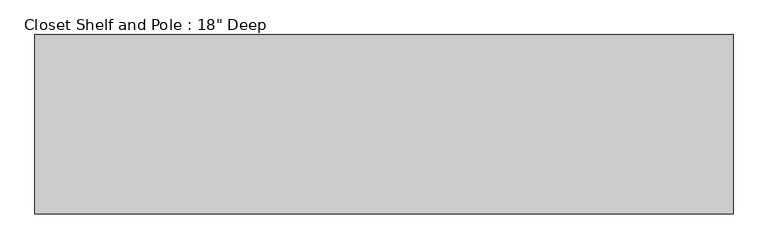
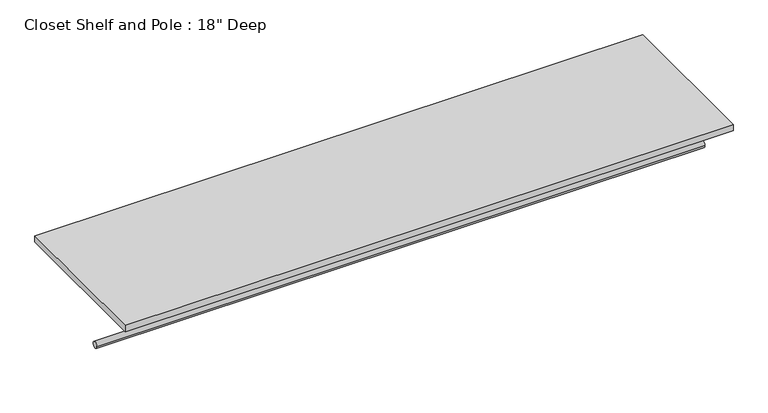
"""IFC4 building model written with IfcOpenShell, lengths in millimetres: proxy geometry."""

import ifcopenshell
import ifcopenshell.guid

model = None  # the IFC model being written
_history = None  # IfcOwnerHistory: only IFC2X3 demands one
_inside = {}  # id of a spatial element -> (the spatial element, [elements in it])
_under = {}  # id of a project, library or spatial element -> (it, [spatial elements below it])
_declared = {}  # id of a project -> (the project, [libraries it declares])
_typed = {}  # id of a type object -> (the type object, [elements of that type])
_made_of = {}  # id of a material, layer set ... -> (it, [elements and type objects made of it])


def new_model(schema):
    """Start an empty IFC model of exactly this schema.

    Asked for "IFC4X3", IfcOpenShell would pick the latest addendum, in which some entities
    have other attributes; the version numbers below select the first issue.
    IFC2X3 requires an IfcOwnerHistory on every rooted entity: one is made here for all.
    """
    global model, _history
    if schema == "IFC4X3":
        model = ifcopenshell.file(schema_version=(4, 3, 0, 0))
    else:
        model = ifcopenshell.file(schema=schema)
    _inside.clear()
    _under.clear()
    _declared.clear()
    _typed.clear()
    _made_of.clear()
    _history = None
    if model.schema == "IFC2X3":
        org = make("IfcOrganization", Name="unknown")
        user = make(
            "IfcPersonAndOrganization",
            ThePerson=make("IfcPerson", FamilyName="unknown"),
            TheOrganization=org,
        )
        app = make(
            "IfcApplication",
            ApplicationDeveloper=org,
            Version="unknown",
            ApplicationFullName="unknown",
            ApplicationIdentifier="unknown",
        )
        _history = make(
            "IfcOwnerHistory",
            OwningUser=user,
            OwningApplication=app,
            ChangeAction="ADDED",
            CreationDate=0,
        )
    return model


def make(cls, **values):
    """One entity of the class cls with the attributes given. An attribute that is None is left unset."""
    return model.create_entity(
        cls, **{name: value for name, value in values.items() if value is not None}
    )


def rooted(cls, **values):
    """An entity with a GlobalId (a new one), such as an element, a storey or a relation."""
    return make(cls, GlobalId=ifcopenshell.guid.new(), OwnerHistory=_history, **values)


def si_unit(unit_type, name, prefix=None):
    """IfcSIUnit, for example si_unit("LENGTHUNIT", "METRE", prefix="MILLI")."""
    return make("IfcSIUnit", UnitType=unit_type, Prefix=prefix, Name=name)


def assignment(units):
    """IfcUnitAssignment: the units of a project."""
    return None if units is None else make("IfcUnitAssignment", Units=units)


def point(xyz):
    """IfcCartesianPoint."""
    return None if xyz is None else make("IfcCartesianPoint", Coordinates=xyz)


def direction(xyz):
    """IfcDirection."""
    return None if xyz is None else make("IfcDirection", DirectionRatios=xyz)


def frame(location, z_axis=None, x_axis=None):
    """IfcAxis2Placement3D, a coordinate frame: its origin and axes. An axis left out is left unset."""
    return make(
        "IfcAxis2Placement3D",
        Location=point(location),
        Axis=direction(z_axis),
        RefDirection=direction(x_axis),
    )


def frame_2d(location, x_axis=None):
    """IfcAxis2Placement2D, a coordinate frame in the plane: its origin and x axis."""
    return make(
        "IfcAxis2Placement2D", Location=point(location), RefDirection=direction(x_axis)
    )


def origin():
    """The frame at (0, 0, 0) with its axes left unset."""
    return frame((0.0, 0.0, 0.0))


def place(relative_to, where):
    """IfcLocalPlacement: puts the frame where relative to a parent placement (None: the world)."""
    return make(
        "IfcLocalPlacement", PlacementRelTo=relative_to, RelativePlacement=where
    )


def context(
    kind, dimensions, precision=None, world=None, true_north=None, identifier=None
):
    """IfcGeometricRepresentationContext, for example the 3D "Model" context."""
    return make(
        "IfcGeometricRepresentationContext",
        ContextIdentifier=identifier,
        ContextType=kind,
        CoordinateSpaceDimension=dimensions,
        Precision=precision,
        WorldCoordinateSystem=world,
        TrueNorth=true_north,
    )


def project(units=None, contexts=None):
    """IfcProject with its units and contexts."""
    return rooted(
        "IfcProject",
        Name="project",
        RepresentationContexts=contexts,
        UnitsInContext=assignment(units),
    )


def spatial(cls, under=None, at=None, **own):
    """A site, building, storey or space (cls), placed at a placement, below another one or the project."""
    s = rooted(cls, ObjectPlacement=at, **own)
    if under is not None:
        _under.setdefault(under.id(), (under, []))[1].append(s)
    return s


def polyline(points):
    """IfcPolyline through the points."""
    return make("IfcPolyline", Points=[point(p) for p in points])


def circle_curve(where, radius):
    """IfcCircle in the frame where."""
    return make("IfcCircle", Position=where, Radius=radius)


def trimmed(basis, trim1, trim2, sense, master):
    """IfcTrimmedCurve: the piece of a basis curve between two trims."""
    return make(
        "IfcTrimmedCurve",
        BasisCurve=basis,
        Trim1=trim1,
        Trim2=trim2,
        SenseAgreement=sense,
        MasterRepresentation=master,
    )


def segment(curve, same_sense, transition):
    """IfcCompositeCurveSegment."""
    return make(
        "IfcCompositeCurveSegment",
        Transition=transition,
        SameSense=same_sense,
        ParentCurve=curve,
    )


def composite_curve(segments, self_intersect=None):
    """IfcCompositeCurve: segments joined end to end."""
    return make("IfcCompositeCurve", Segments=segments, SelfIntersect=self_intersect)


def outline(outer, holes=None, kind="AREA"):
    """IfcArbitraryClosedProfileDef: a profile drawn as a closed curve; with holes, ...WithVoids."""
    if holes is None:
        return make("IfcArbitraryClosedProfileDef", ProfileType=kind, OuterCurve=outer)
    return make(
        "IfcArbitraryProfileDefWithVoids",
        ProfileType=kind,
        OuterCurve=outer,
        InnerCurves=holes,
    )


def extrude(swept, where, along, depth):
    """IfcExtrudedAreaSolid: the profile swept, set in the frame where, extruded along a direction by depth."""
    return make(
        "IfcExtrudedAreaSolid",
        SweptArea=swept,
        Position=where,
        ExtrudedDirection=direction(along),
        Depth=depth,
    )


def shape(context_of_items, identifier, shape_type, items):
    """IfcShapeRepresentation: the items that make up one representation, for example the "Body"."""
    return make(
        "IfcShapeRepresentation",
        ContextOfItems=context_of_items,
        RepresentationIdentifier=identifier,
        RepresentationType=shape_type,
        Items=items,
    )


def source(mapping_origin, context_of_items, identifier, shape_type, items):
    """IfcRepresentationMap: a shape defined once, which mapped items show again and again."""
    return make(
        "IfcRepresentationMap",
        MappingOrigin=mapping_origin,
        MappedRepresentation=shape(context_of_items, identifier, shape_type, items),
    )


def transform(
    local_origin,
    x_axis=None,
    y_axis=None,
    z_axis=None,
    scale=None,
    scale2=None,
    scale3=None,
    uniform=True,
):
    """IfcCartesianTransformationOperator3D, or its non-uniform kind. x_axis, y_axis, z_axis: its Axis1, 2, 3."""
    if uniform:
        return make(
            "IfcCartesianTransformationOperator3D",
            Axis1=direction(x_axis),
            Axis2=direction(y_axis),
            LocalOrigin=point(local_origin),
            Scale=scale,
            Axis3=direction(z_axis),
        )
    return make(
        "IfcCartesianTransformationOperator3DnonUniform",
        Axis1=direction(x_axis),
        Axis2=direction(y_axis),
        LocalOrigin=point(local_origin),
        Scale=scale,
        Axis3=direction(z_axis),
        Scale2=scale2,
        Scale3=scale3,
    )


def mapped(mapping_source, mapping_target):
    """IfcMappedItem: shows the shape of a source again, moved by a transform."""
    return make(
        "IfcMappedItem", MappingSource=mapping_source, MappingTarget=mapping_target
    )


def made_of(thing, what):
    """Note that an element or type object is made of a material, layer set ...; save() writes the relation."""
    if what is not None:
        _made_of.setdefault(what.id(), (what, []))[1].append(thing)
    return thing


def element(
    cls,
    number,
    at=None,
    inside=None,
    cuts=None,
    type_object=None,
    material=None,
    context=None,
    identifier="Body",
    shape_type=None,
    held_by="IfcProductDefinitionShape",
    body=None,
    shapes=None,
    **own,
):
    """One element of the class cls, such as IfcWall. Its Tag is "e" and its number.

    at: its placement. inside: the storey or other place that contains it. cuts: it is an
    opening in that element (IfcRelVoidsElement). A single representation is given by context,
    identifier, shape_type and body (its items); several are given by shapes. held_by: the class
    of the entity that holds the representations. save() writes the other relations.
    """
    e = rooted(cls, Tag="e%d" % number, ObjectPlacement=at, **own)
    if body is not None:
        shapes = [shape(context, identifier, shape_type, body)]
    if shapes is not None:
        e.Representation = make(held_by, Representations=shapes)
    if inside is not None:
        _inside.setdefault(inside.id(), (inside, []))[1].append(e)
    if cuts is not None:
        rooted(
            "IfcRelVoidsElement", RelatingBuildingElement=cuts, RelatedOpeningElement=e
        )
    if type_object is not None:
        _typed.setdefault(type_object.id(), (type_object, []))[1].append(e)
    return made_of(e, material)


def aggregate(whole, parts):
    """IfcRelAggregates: a whole, such as a stair, and the parts it consists of."""
    return rooted("IfcRelAggregates", RelatingObject=whole, RelatedObjects=parts)


def save(model, path):
    """Write the relations noted so far, then the file.

    IfcRelAggregates (storeys below a building ...), IfcRelContainedInSpatialStructure (elements
    in a storey), IfcRelDefinesByType, IfcRelAssociatesMaterial and IfcRelDeclares: one each for
    every whole, place, type object, material and project.
    """
    for whole, parts in _under.values():
        aggregate(whole, parts)
    for where, things in _inside.values():
        rooted(
            "IfcRelContainedInSpatialStructure",
            RelatedElements=things,
            RelatingStructure=where,
        )
    for kind, things in _typed.values():
        rooted("IfcRelDefinesByType", RelatedObjects=things, RelatingType=kind)
    for what, things in _made_of.values():
        rooted("IfcRelAssociatesMaterial", RelatedObjects=things, RelatingMaterial=what)
    for by, libraries in _declared.values():
        rooted("IfcRelDeclares", RelatingContext=by, RelatedDefinitions=libraries)
    model.write(path)


def proxy_d3a9efdb(model_context):
    return source(origin(), model_context, "Body", "SweptSolid", [
        extrude(outline(composite_curve([segment(trimmed(circle_curve(frame_2d((-304.8, 1676.4)), 9.525), [point((-314.325, 1676.4))], [point((-295.275, 1676.4))], False, "CARTESIAN"), True, "CONTINUOUS"), segment(trimmed(circle_curve(frame_2d((-304.8, 1676.4)), 9.525), [point((-295.275, 1676.4))], [point((-314.325, 1676.4))], False, "CARTESIAN"), True, "CONTINUOUS")], self_intersect=False)), frame((0.0, 0.0, 0.0), z_axis=(1.0, 0.0, 0.0), x_axis=(0.0, 1.0, 0.0)), (0.0, 0.0, 1.0), 1777.4792298),
        extrude(outline(polyline([(1777.4792298, 0.0), (1777.4792298, -457.2), (0.0, -457.2), (0.0, 0.0), (1777.4792298, 0.0)])), frame((0.0, 0.0, 1809.75), z_axis=(0.0, 0.0, 1.0), x_axis=(1.0, 0.0, 0.0)), (0.0, 0.0, 1.0), 19.05),
    ])


if __name__ == "__main__":
    model = new_model("IFC4")
    model_context = context("Model", 3, world=origin())
    ifc_project = project(units=[si_unit("LENGTHUNIT", "METRE", prefix="MILLI")], contexts=[model_context])
    site = spatial("IfcSite", under=ifc_project)
    building = spatial("IfcBuilding", under=site)
    placement = place(None, origin())
    proxy_shape = proxy_d3a9efdb(model_context)
    element("IfcBuildingElementProxy", 1, Name="Closet Shelf and Pole : 18\" Deep", ObjectType="Closet Shelf and Pole : 18\" Deep", at=placement, inside=building, context=model_context, shape_type="MappedRepresentation", body=[
        mapped(proxy_shape, transform((0.0, 0.0, 0.0), x_axis=(1.0, 0.0, 0.0), y_axis=(0.0, 1.0, 0.0), z_axis=(0.0, 0.0, 1.0))),
    ])
    save(model, "model.ifc")
